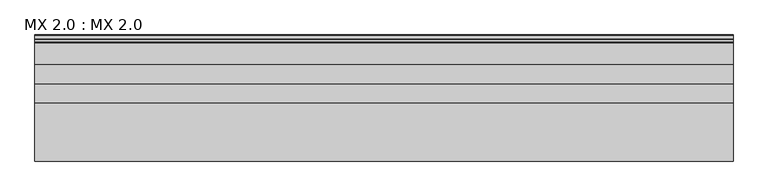
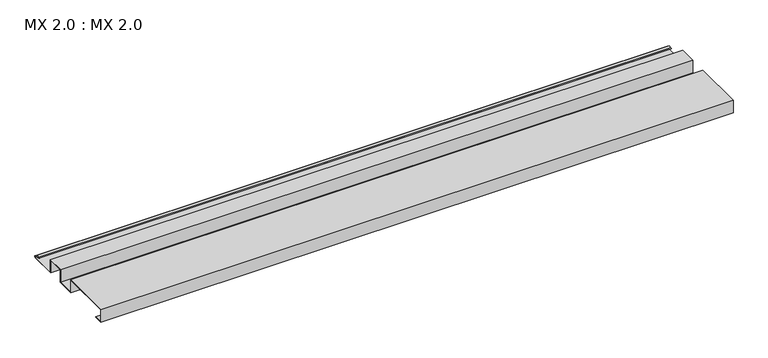
"""IFC4 building model written with IfcOpenShell, lengths in millimetres: proxy geometry, MX 2.0 : MX 2.0."""

from ifc_helpers import new_model, si_unit, point, frame, frame_2d, origin, place, context, project, spatial, polyline, circle_curve, trimmed, segment, composite_curve, outline, extrude, source, transform, mapped, element, save


def mx_2_0_mx_2_0_b40dd0a2(model_context):
    return source(origin(), model_context, "Body", "SweptSolid", [
        extrude(outline(composite_curve([segment(polyline([(0.0, 0.0), (0.0, 38.0), (150.0, 38.0), (150.0, 0.0), (200.0, 0.0), (200.0, 38.0), (250.0, 38.0), (250.0, 0.0), (325.0510156, 0.0)]), True, "CONTINUOUS"), segment(trimmed(circle_curve(frame_2d((324.3094696, 1.9153551)), 2.0538928), [point((325.0510156, 0.0))], [point((325.1748462, 3.778041))], True, "CARTESIAN"), True, "CONTINUOUS"), segment(polyline([(325.1748462, 3.778041), (308.7874714, 6.923107)]), True, "CONTINUOUS"), segment(trimmed(circle_curve(frame_2d((309.4078886, 8.6005442)), 1.7884947), [point((308.7874714, 6.923107))], [point((308.9525789, 10.3301125))], False, "CARTESIAN"), True, "CONTINUOUS"), segment(polyline([(308.9525789, 10.3301125), (316.459338, 11.6715995), (316.635255, 10.6871945), (309.1762081, 9.3542338)]), True, "CONTINUOUS"), segment(trimmed(circle_curve(frame_2d((309.4078886, 8.6005442)), 0.7884947), [point((309.1762081, 9.3542338))], [point((309.0735117, 7.8864603))], True, "CARTESIAN"), True, "CONTINUOUS"), segment(polyline([(309.0735117, 7.8864603), (325.4722719, 4.7392091)]), True, "CONTINUOUS"), segment(trimmed(circle_curve(frame_2d((324.3094696, 1.9153551)), 3.0538928), [point((325.4722719, 4.7392091))], [point((325.2188462, -1.0))], False, "CARTESIAN"), True, "CONTINUOUS"), segment(polyline([(325.2188462, -1.0), (249.0, -1.0), (249.0, 37.0), (201.0, 37.0), (201.0, -1.0), (149.0, -1.0), (149.0, 37.0), (1.0, 37.0), (1.0, 1.0), (25.0, 1.0), (25.0, 0.0), (0.0, 0.0)]), True, "CONTINUOUS")], self_intersect=False)), frame((0.0, 0.0, 0.0), z_axis=(1.0, 0.0, 0.0), x_axis=(0.0, 1.0, 0.0)), (0.0, 0.0, 1.0), 1812.2237727),
    ])


if __name__ == "__main__":
    model = new_model("IFC4")
    model_context = context("Model", 3, world=origin())
    ifc_project = project(units=[si_unit("LENGTHUNIT", "METRE", prefix="MILLI")], contexts=[model_context])
    site = spatial("IfcSite", under=ifc_project)
    building = spatial("IfcBuilding", under=site)
    placement = place(None, origin())
    mx_2_0_mx_2_0_shape = mx_2_0_mx_2_0_b40dd0a2(model_context)
    element("IfcBuildingElementProxy", 1, Name="MX 2.0 : MX 2.0", ObjectType="MX 2.0 : MX 2.0", at=placement, inside=building, context=model_context, shape_type="MappedRepresentation", body=[
        mapped(mx_2_0_mx_2_0_shape, transform((0.0, 0.0, 0.0), x_axis=(1.0, 0.0, 0.0), y_axis=(0.0, 1.0, 0.0), z_axis=(0.0, 0.0, 1.0))),
    ])
    save(model, "model.ifc")
